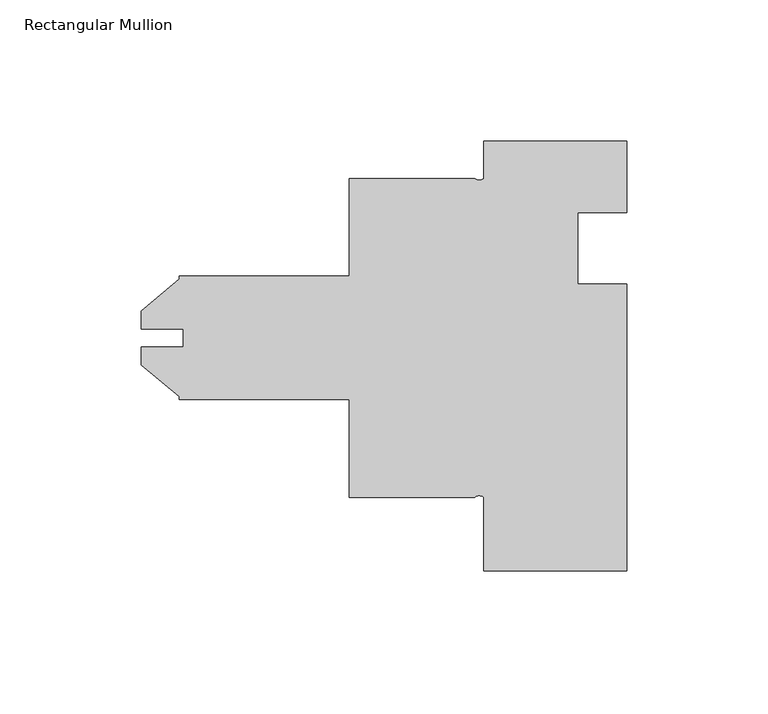
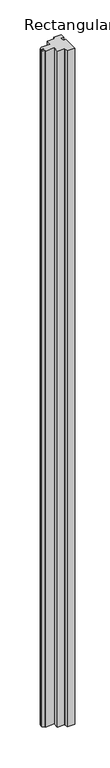
"""IFC4 building model written with IfcOpenShell, lengths in millimetres: member geometry, Rectangular Mullion."""

from ifc_helpers import new_model, si_unit, point, frame, frame_2d, origin, place, context, project, spatial, polyline, circle_curve, trimmed, segment, composite_curve, outline, extrude, source, transform, mapped, element, save


def rectangular_mullion_14a716bf(model_context):
    return source(origin(), model_context, "Body", "SweptSolid", [
        extrude(outline(composite_curve([segment(polyline([(50.8, -152.4), (0.0, -152.4), (0.0, -126.3904)]), True, "CONTINUOUS"), segment(trimmed(circle_curve(frame_2d((-1.5875, -128.1526573)), 2.3718573), [point((0.0, -126.3904))], [point((-3.175, -126.3904))], True, "CARTESIAN"), True, "CONTINUOUS"), segment(polyline([(-3.175, -126.3904), (-47.625, -126.3904), (-47.625, -91.7448), (-107.95, -91.7448), (-107.95, -90.6782933), (-121.412, -79.382334), (-121.412, -73.0120621), (-106.3752, -73.0120621), (-106.3752, -66.6879379), (-121.412, -66.6879379), (-121.412, -60.317666), (-107.95, -49.0217067), (-107.95, -47.9552), (-47.625, -47.9552), (-47.625, -13.3096), (-3.175, -13.3096)]), True, "CONTINUOUS"), segment(trimmed(circle_curve(frame_2d((-1.5875, -11.5473427)), 2.3718573), [point((-3.175, -13.3096))], [point((0.0, -13.3096))], True, "CARTESIAN"), True, "CONTINUOUS"), segment(polyline([(0.0, -13.3096), (0.0, 0.0), (50.8, 0.0), (50.8, -25.4), (33.3502, -25.4), (33.3502, -50.8), (50.8, -50.8), (50.8, -152.4)]), True, "CONTINUOUS")], self_intersect=False)), frame((0.0, 0.0, -4656.0602623), z_axis=(0.0, 0.0, 1.0), x_axis=(1.0, 0.0, 0.0)), (0.0, 0.0, 1.0), 4656.0602623),
    ])


if __name__ == "__main__":
    model = new_model("IFC4")
    model_context = context("Model", 3, world=origin())
    ifc_project = project(units=[si_unit("LENGTHUNIT", "METRE", prefix="MILLI")], contexts=[model_context])
    site = spatial("IfcSite", under=ifc_project)
    building = spatial("IfcBuilding", under=site)
    placement = place(None, origin())
    rectangular_mullion_shape = rectangular_mullion_14a716bf(model_context)
    element("IfcMember", 1, ObjectType="Rectangular Mullion", at=placement, inside=building, context=model_context, shape_type="MappedRepresentation", body=[
        mapped(rectangular_mullion_shape, transform((0.0, 0.0, 0.0), x_axis=(1.0, 0.0, 0.0), y_axis=(0.0, 1.0, 0.0), z_axis=(0.0, 0.0, 1.0))),
    ])
    save(model, "model.ifc")
